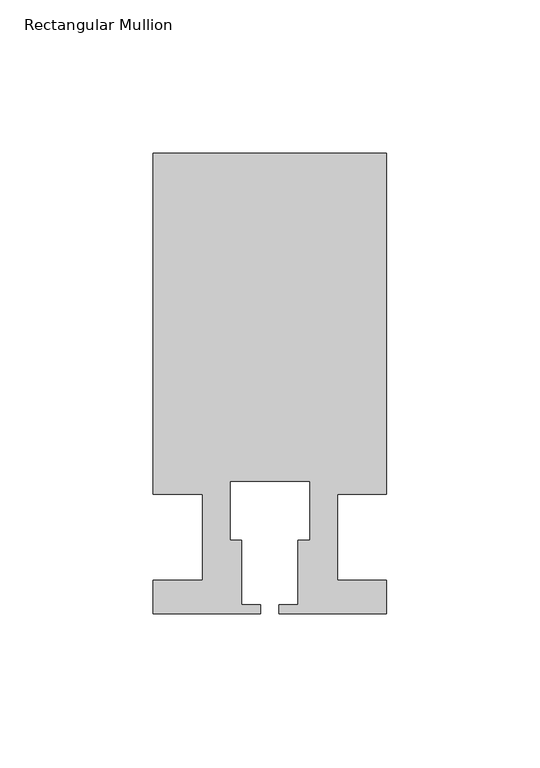
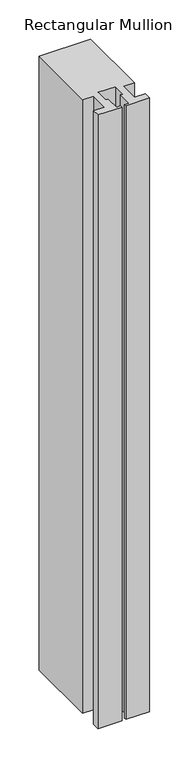
"""IFC4 building model written with IfcOpenShell, lengths in millimetres: member geometry, Rectangular Mullion."""

from ifc_helpers import new_model, si_unit, frame, origin, place, context, project, spatial, polyline, outline, extrude, source, transform, mapped, element, save


def rectangular_mullion_ace82e7b(model_context):
    return source(origin(), model_context, "Body", "SweptSolid", [
        extrude(outline(polyline([(37.9999914, 124.9960123), (37.9999914, 13.9960123), (21.9999651, 13.9960123), (21.9999651, -14.0039877), (37.9999896, -14.0039877), (37.9999896, -25.0039877), (2.9999651, -25.0039877), (2.9999651, -22.0039877), (9.1999651, -22.0039877), (9.1999651, -1.0039877), (12.9999651, -1.0039877), (12.9999651, 18.1960075), (-12.9999633, 18.1960075), (-12.9999633, -1.0039877), (-9.1999633, -1.0039877), (-9.1999633, -22.0039877), (-2.9999896, -22.0039877), (-2.9999896, -25.0039877), (-37.9999896, -25.0039877), (-37.9999896, -14.0039877), (-21.9999633, -14.0039877), (-21.9999633, 13.9959029), (-37.9999896, 13.9959029), (-37.9999896, 124.9960123), (37.9999914, 124.9960123)])), frame((0.0, 0.0, -953.6623342), z_axis=(0.0, 0.0, 1.0), x_axis=(1.0, 0.0, 0.0)), (0.0, 0.0, 1.0), 953.6623342),
    ])


if __name__ == "__main__":
    model = new_model("IFC4")
    model_context = context("Model", 3, world=origin())
    ifc_project = project(units=[si_unit("LENGTHUNIT", "METRE", prefix="MILLI")], contexts=[model_context])
    site = spatial("IfcSite", under=ifc_project)
    building = spatial("IfcBuilding", under=site)
    placement = place(None, origin())
    rectangular_mullion_shape = rectangular_mullion_ace82e7b(model_context)
    element("IfcMember", 1, ObjectType="Rectangular Mullion", at=placement, inside=building, context=model_context, shape_type="MappedRepresentation", body=[
        mapped(rectangular_mullion_shape, transform((0.0, 0.0, 0.0), x_axis=(1.0, 0.0, 0.0), y_axis=(0.0, 1.0, 0.0), z_axis=(0.0, 0.0, 1.0))),
    ])
    save(model, "model.ifc")
